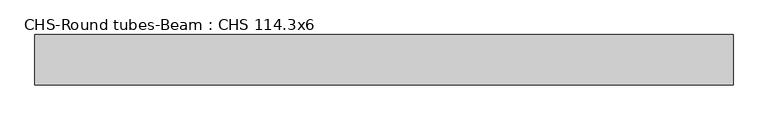
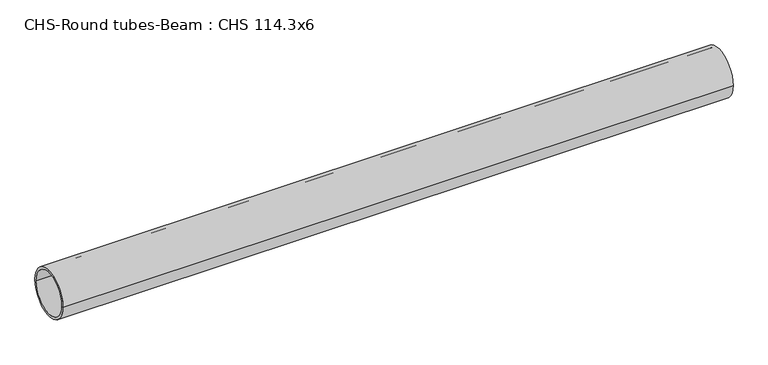
"""IFC4 building model written with IfcOpenShell, lengths in millimetres: beam geometry, CHS-Round tubes-Beam : CHS 114.3x6."""

from ifc_helpers import new_model, si_unit, point, frame, origin, origin_2d, place, context, project, spatial, circle_curve, trimmed, segment, composite_curve, outline, extrude, source, transform, mapped, element, save


def chs_round_tubes_beam_chs_114_3x6_d4ece15f(model_context):
    return source(origin(), model_context, "Body", "SweptSolid", [
        extrude(outline(composite_curve([segment(trimmed(circle_curve(origin_2d(), 57.15), [point((57.15, 0.0))], [point((-57.15, 0.0))], False, "CARTESIAN"), True, "CONTINUOUS"), segment(trimmed(circle_curve(origin_2d(), 57.15), [point((-57.15, 0.0))], [point((57.15, 0.0))], False, "CARTESIAN"), True, "CONTINUOUS")], self_intersect=False), holes=[composite_curve([segment(trimmed(circle_curve(origin_2d(), 51.15), [point((51.15, 0.0))], [point((-51.15, 0.0))], True, "CARTESIAN"), True, "CONTINUOUS"), segment(trimmed(circle_curve(origin_2d(), 51.15), [point((-51.15, 0.0))], [point((51.15, 0.0))], True, "CARTESIAN"), True, "CONTINUOUS")], self_intersect=False)]), frame((-785.2699931, 0.0, 0.0), z_axis=(1.0, 0.0, 0.0), x_axis=(0.0, 1.0, 0.0)), (0.0, 0.0, 1.0), 1582.5608799),
    ])


if __name__ == "__main__":
    model = new_model("IFC4")
    model_context = context("Model", 3, world=origin())
    ifc_project = project(units=[si_unit("LENGTHUNIT", "METRE", prefix="MILLI")], contexts=[model_context])
    site = spatial("IfcSite", under=ifc_project)
    building = spatial("IfcBuilding", under=site)
    placement = place(None, origin())
    chs_round_tubes_beam_chs_114_3x6_shape = chs_round_tubes_beam_chs_114_3x6_d4ece15f(model_context)
    element("IfcBeam", 1, ObjectType="CHS-Round tubes-Beam : CHS 114.3x6", at=placement, inside=building, context=model_context, shape_type="MappedRepresentation", body=[
        mapped(chs_round_tubes_beam_chs_114_3x6_shape, transform((0.0, 0.0, 0.0), x_axis=(1.0, 0.0, 0.0), y_axis=(0.0, 1.0, 0.0), z_axis=(0.0, 0.0, 1.0))),
    ])
    save(model, "model.ifc")
